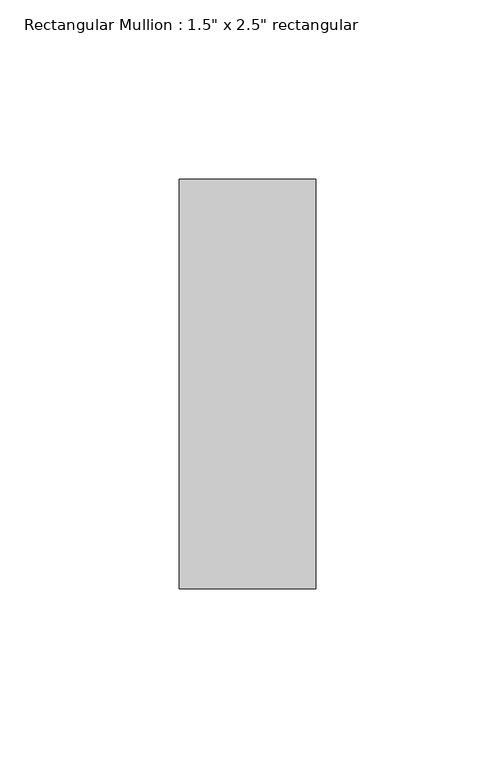
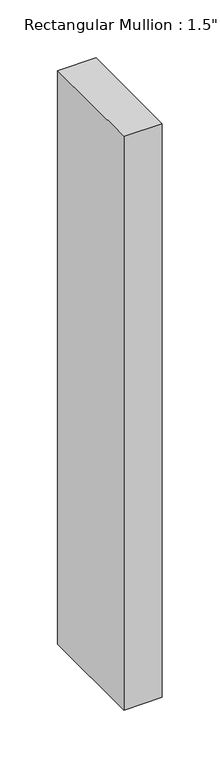
"""IFC4 building model written with IfcOpenShell, lengths in millimetres: member geometry."""

from ifc_helpers import new_model, si_unit, frame, origin, place, context, project, spatial, polyline, outline, extrude, source, transform, mapped, element, save


def member_98e3eb93(model_context):
    return source(origin(), model_context, "Body", "SweptSolid", [
        extrude(outline(polyline([(19.05, 57.15), (19.05, -57.15), (-19.05, -57.15), (-19.05, 57.15), (19.05, 57.15)])), frame((0.0, 0.0, -604.04375), z_axis=(0.0, 0.0, 1.0), x_axis=(1.0, 0.0, 0.0)), (0.0, 0.0, 1.0), 604.04375),
    ])


if __name__ == "__main__":
    model = new_model("IFC4")
    model_context = context("Model", 3, world=origin())
    ifc_project = project(units=[si_unit("LENGTHUNIT", "METRE", prefix="MILLI")], contexts=[model_context])
    site = spatial("IfcSite", under=ifc_project)
    building = spatial("IfcBuilding", under=site)
    placement = place(None, origin())
    member_shape = member_98e3eb93(model_context)
    element("IfcMember", 1, ObjectType="Rectangular Mullion : 1.5\" x 2.5\" rectangular", at=placement, inside=building, context=model_context, shape_type="MappedRepresentation", body=[
        mapped(member_shape, transform((0.0, 0.0, 0.0), x_axis=(1.0, 0.0, 0.0), y_axis=(0.0, 1.0, 0.0), z_axis=(0.0, 0.0, 1.0))),
    ])
    save(model, "model.ifc")
